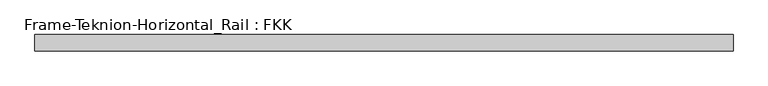
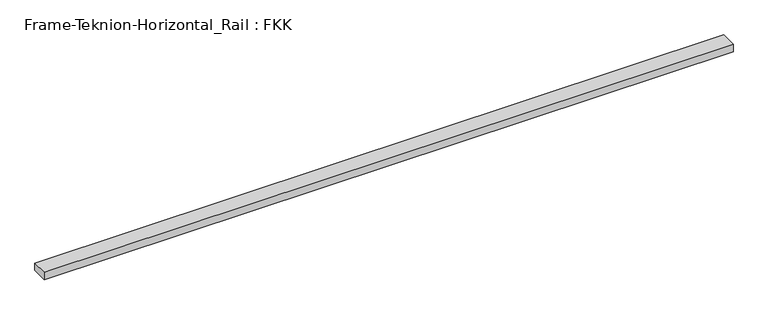
"""IFC4 building model written with IfcOpenShell, lengths in millimetres: proxy geometry, Frame-Teknion-Horizontal_Rail : FKK."""

from ifc_helpers import new_model, si_unit, frame, origin, place, context, project, spatial, polyline, outline, extrude, source, transform, mapped, element, save


def frame_teknion_horizontal_rail_fkk_60f78dd7(model_context):
    return source(origin(), model_context, "Body", "SweptSolid", [
        extrude(outline(polyline([(-1242.0203125, -29.2199219), (-1242.0203125, 29.2199219), (1242.0203125, 29.2199219), (1242.0203125, -29.2199219), (-1242.0203125, -29.2199219)])), frame((0.0, 0.0, -13.9898438), z_axis=(0.0, 0.0, 1.0), x_axis=(1.0, 0.0, 0.0)), (0.0, 0.0, 1.0), 27.9796875),
    ])


if __name__ == "__main__":
    model = new_model("IFC4")
    model_context = context("Model", 3, world=origin())
    ifc_project = project(units=[si_unit("LENGTHUNIT", "METRE", prefix="MILLI")], contexts=[model_context])
    site = spatial("IfcSite", under=ifc_project)
    building = spatial("IfcBuilding", under=site)
    placement = place(None, origin())
    frame_teknion_horizontal_rail_fkk_shape = frame_teknion_horizontal_rail_fkk_60f78dd7(model_context)
    element("IfcBuildingElementProxy", 1, Name="Frame-Teknion-Horizontal_Rail : FKK", ObjectType="Frame-Teknion-Horizontal_Rail : FKK", at=placement, inside=building, context=model_context, shape_type="MappedRepresentation", body=[
        mapped(frame_teknion_horizontal_rail_fkk_shape, transform((0.0, 0.0, 0.0), x_axis=(1.0, 0.0, 0.0), y_axis=(0.0, 1.0, 0.0), z_axis=(0.0, 0.0, 1.0))),
    ])
    save(model, "model.ifc")
